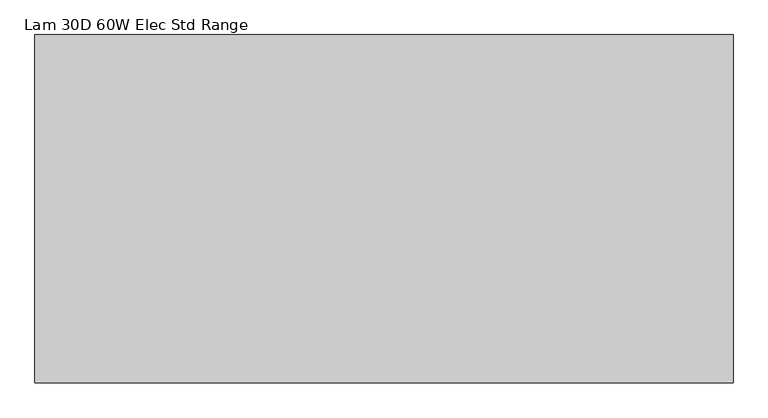
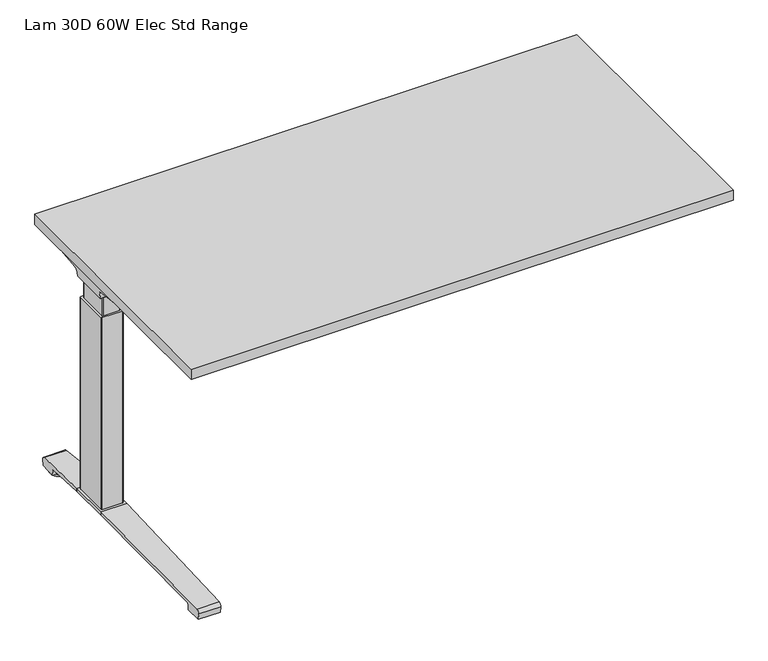
"""IFC4 building model written with IfcOpenShell, lengths in millimetres: furniture geometry, Lam 30D 60W Elec Std Range."""

from ifc_helpers import new_model, si_unit, point, frame, frame_2d, origin, place, context, project, spatial, polyline, circle_curve, ellipse_curve, trimmed, segment, composite_curve, outline, extrude, source, transform, mapped, element, save
from ifc_brep_helpers import plane_surface, cylinder_surface, revolved_surface, advanced_brep


def lam_30d_60w_elec_std_range_a6111f23(model_context):
    return source(origin(), model_context, "Body", "SolidModel", [
        extrude(outline(polyline([(735.076, 366.776), (735.076, -366.776), (-735.076, -366.776), (-735.076, 366.776), (735.076, 366.776)])), frame((0.0, 0.0, 707.009), z_axis=(0.0, 0.0, 1.0), x_axis=(1.0, 0.0, 0.0)), (0.0, 0.0, 1.0), 29.591),
        advanced_brep(
        [(-718.7406297, 194.2506702, 658.5915733), (-553.0122138, 194.2506702, 658.5915733), (-567.3924181, 192.0222169, 655.9442785), (-716.2518591, 192.0222169, 655.9442785), (-718.9625278, 194.259656, 658.8276054), (-721.3619089, 194.9036827, 675.7443054), (-538.5773962, 194.9036827, 675.7443054), (-538.5773962, 194.5556965, 666.6037253), (-541.4075093, 194.4745058, 664.4710821), (-541.5501644, 194.3968397, 662.4310191), (-722.2185362, 200.3707181, 681.7839076), (-538.5773962, 200.3707181, 681.7839076), (-724.7393767, 314.9419225, 699.5569507), (-660.5243442, 314.9419225, 699.5569507), (-538.5773962, 234.1372, 687.0219877), (-724.8128152, 318.7179275, 700.0747243), (-666.2229255, 318.7179275, 700.0747243), (-725.4871296, 320.2281839, 704.8289399), (-723.7021288, 317.6512888, 707.009), (-664.6132011, 317.6512888, 707.009), (-725.4871296, -38.7453839, 704.8289399), (-724.8128152, -37.2351275, 700.0747243), (-666.2229255, -37.2351275, 700.0747243), (-664.6132011, -36.1684888, 707.009), (-723.7021288, -36.1684888, 707.009), (-724.7393767, -33.4591225, 699.5569507), (-660.5243442, -33.4591225, 699.5569507), (-722.2185362, 81.1120819, 681.7839076), (-538.5773962, 81.1120819, 681.7839076), (-538.5773962, 47.3456, 687.0219877), (-721.3619089, 86.5791173, 675.7443054), (-538.5773962, 86.5791173, 675.7443054), (-718.9625278, 87.223144, 658.8276054), (-718.7406297, 87.2321298, 658.5915733), (-553.0122138, 87.2321298, 658.5915733), (-541.5501644, 87.0859603, 662.4310191), (-541.4075093, 87.0082942, 664.4710821), (-538.5773962, 86.9271035, 666.6037253), (-716.2518591, 89.4605831, 655.9442785), (-567.3924181, 89.4605831, 655.9442785), (-538.5773962, 47.3456, 707.009), (-538.5773962, 234.1372, 707.009)],
        [
            (0, 1),
            (1, 2, ellipse_curve(frame((-577.2936465, 271.2884009, 750.1086722), z_axis=(0.0, 0.7650318638532662, -0.6439924279750482), x_axis=(0.0, 0.6439924279750482, 0.7650318638532662)), 123.7641411, 94.6835116)),
            (2, 3),
            (3, 0),
            (0, 4),
            (4, 5),
            (5, 6),
            (6, 7),
            (7, 8),
            (8, 9),
            (9, 1, ellipse_curve(frame((-577.2936465, 197.7347686, 750.1086722), z_axis=(0.0, 0.999276106683639, -0.03804290487316255), x_axis=(0.0, 0.03804290487316397, 0.999276106683639)), 94.752102, 94.6835116)),
            (5, 10, ellipse_curve(frame((-721.3119691, 201.3622409, 675.3922075), z_axis=(-0.990090671484964, 0.0, -0.14042956326377007), x_axis=(-0.1404295632637696, 0.0, 0.990090671484964)), 6.5328852, 6.4681487)),
            (10, 11),
            (11, 6, circle_curve(frame((-538.5773962, 201.3622409, 675.3922075), z_axis=(1.0, 0.0, 0.0), x_axis=(0.0, 1.0, 0.0)), 6.4681487)),
            (10, 12),
            (12, 13),
            (13, 14),
            (14, 11),
            (12, 15),
            (15, 16),
            (16, 13),
            (15, 17, ellipse_curve(frame((-725.2730772, 316.7408111, 703.3197755), z_axis=(0.990090671484964, 0.0, 0.14042956326377007), x_axis=(0.1404295632637696, 0.0, -0.990090671484964)), 3.8379455, 3.7999141)),
            (17, 18, ellipse_curve(frame((-726.722811, 316.7408111, 703.3197755), z_axis=(0.7737284588433301, 0.0, -0.6335173809580328), x_axis=(0.6335173809580328, 0.0, 0.77372845884333)), 4.9111727, 3.7999141)),
            (18, 19),
            (19, 16, ellipse_curve(frame((-663.239148, 316.7408111, 703.3197755), z_axis=(-0.5523637579768186, -0.8336031902972341, 0.0), x_axis=(0.8336031902972341, -0.5523637579768187, 0.0)), 6.8793689, 3.7999141)),
            (20, 21, ellipse_curve(frame((-725.2730772, -35.2580111, 703.3197755), z_axis=(0.990090671484964, 0.0, 0.14042956326377007), x_axis=(0.1404295632637696, 0.0, -0.990090671484964)), 3.8379455, 3.7999141)),
            (21, 22),
            (22, 23, ellipse_curve(frame((-663.239148, -35.2580111, 703.3197755), z_axis=(-0.552363757975039, 0.8336031902984132, 0.0), x_axis=(0.8336031902984132, 0.552363757975039, 0.0)), 6.8793689, 3.7999141)),
            (23, 24),
            (24, 20, ellipse_curve(frame((-726.722811, -35.2580111, 703.3197755), z_axis=(0.7737284588433301, 0.0, -0.6335173809580328), x_axis=(0.6335173809580328, 0.0, 0.77372845884333)), 4.9111727, 3.7999141)),
            (21, 25),
            (25, 26),
            (26, 22),
            (27, 28),
            (28, 29),
            (29, 26),
            (25, 27),
            (27, 30, ellipse_curve(frame((-721.3119691, 80.1205591, 675.3922075), z_axis=(-0.990090671484964, 0.0, -0.14042956326377007), x_axis=(-0.1404295632637696, 0.0, 0.990090671484964)), 6.5328852, 6.4681487)),
            (30, 31),
            (31, 28, circle_curve(frame((-538.5773962, 80.1205591, 675.3922075), z_axis=(1.0, 0.0, 0.0), x_axis=(0.0, 1.0, 0.0)), 6.4681487)),
            (30, 32),
            (32, 33),
            (33, 34),
            (34, 35, ellipse_curve(frame((-577.2936465, 83.7480314, 750.1086722), z_axis=(0.0, -0.9992761066836363, -0.03804290487323539), x_axis=(0.0, 0.03804290487323121, -0.9992761066836364)), 94.752102, 94.6835116)),
            (35, 36),
            (36, 37),
            (37, 31),
            (33, 38),
            (38, 39),
            (39, 34, ellipse_curve(frame((-577.2936465, 10.1943991, 750.1086722), z_axis=(0.0, -0.7650318638534733, -0.643992427974802), x_axis=(0.0, 0.643992427974802, -0.7650318638534732)), 123.7641411, 94.6835116)),
            (4, 32),
            (20, 17),
            (24, 18),
            (23, 40),
            (40, 41),
            (41, 19),
            (37, 7),
            (14, 41),
            (40, 29),
            (36, 8),
            (35, 9),
            (39, 2),
            (38, 3),
        ],
        [
            plane_surface(frame((-741.7773962, 192.0222169, 655.9442785), z_axis=(0.0, 0.7650318638532662, -0.6439924279750482), x_axis=(1.0, 0.0, 0.0))),
            plane_surface(frame((-741.7773962, 194.2506702, 658.5915733), z_axis=(0.0, 0.999276106683639, -0.03804290487316255), x_axis=(1.0, 0.0, 0.0))),
            revolved_surface(polyline([(-722.2293793154884, 207.8303896, 675.3922075), (-538.5773962, 207.8303896, 675.3922075)]), (-741.7773962, 201.3622409, 675.3922075), (-1.0, 0.0, 0.0)),
            plane_surface(frame((-741.7773962, 200.3707181, 681.7839076), z_axis=(0.0, 0.153293135871396, -0.9881807600306302), x_axis=(1.0, 0.0, 0.0))),
            plane_surface(frame((-741.7773962, 314.9419225, 699.5569507), z_axis=(0.0, 0.13585085469026903, -0.9907292996979162), x_axis=(1.0, 0.0, 0.0))),
            cylinder_surface(frame((-741.7773962, 316.7408111, 703.3197755), z_axis=(1.0, 0.0, 0.0), x_axis=(0.0, 1.0, 0.0)), 3.7999141),
            cylinder_surface(frame((-741.7773962, -35.2580111, 703.3197755), z_axis=(1.0, 0.0, 0.0), x_axis=(0.0, 1.0, 0.0)), 3.7999141),
            plane_surface(frame((-741.7773962, -37.2351275, 700.0747243), z_axis=(0.0, -0.13585085468791205, -0.9907292996982394), x_axis=(1.0, 0.0, 0.0))),
            plane_surface(frame((-741.7773962, -33.4591225, 699.5569507), z_axis=(0.0, -0.1532931358714066, -0.9881807600306285), x_axis=(1.0, 0.0, 0.0))),
            revolved_surface(polyline([(-722.2293793154884, 86.5887078, 675.3922075), (-538.5773962, 86.5887078, 675.3922075)]), (-741.7773962, 80.1205591, 675.3922075), (-1.0, 0.0, 0.0)),
            plane_surface(frame((-741.7773962, 86.5791173, 675.7443054), z_axis=(0.0, -0.9992761066836363, -0.03804290487323539), x_axis=(1.0, 0.0, 0.0))),
            plane_surface(frame((-741.7773962, 87.2321298, 658.5915733), z_axis=(0.0, -0.7650318638534733, -0.643992427974802), x_axis=(1.0, 0.0, 0.0))),
            plane_surface(frame((-718.9625278, 331.2414, 658.8276054), z_axis=(-0.990090671484964, 0.0, -0.14042956326377007), x_axis=(0.0, -1.0, 0.0))),
            plane_surface(frame((-725.4871296, 331.2414, 704.8289399), z_axis=(-0.7737284588433301, 0.0, 0.6335173809580328), x_axis=(0.0, -1.0, 0.0))),
            plane_surface(frame((-723.7021288, 331.2414, 707.009), z_axis=(0.0, 0.0, 1.0), x_axis=(0.0, -1.0, 0.0))),
            plane_surface(frame((-538.5773962, 331.2414, 707.009), z_axis=(1.0, 0.0, 0.0), x_axis=(0.0, -1.0, 0.0))),
            plane_surface(frame((-538.5773962, 331.2414, 666.6037253), z_axis=(0.6018150231516033, 0.0, -0.7986355100476283), x_axis=(0.0, -1.0, 0.0))),
            plane_surface(frame((-541.4075093, 331.2414, 664.4710821), z_axis=(0.9975640502600401, 0.0, -0.06975647374103827), x_axis=(0.0, -1.0, 0.0))),
            cylinder_surface(frame((-577.2936465, 331.2414, 750.1086722), z_axis=(0.0, 1.0, 0.0), x_axis=(1.0, 0.0, 0.0)), 94.6835116),
            plane_surface(frame((-567.3924181, 331.2414, 655.9442785), z_axis=(0.0, 0.0, -1.0), x_axis=(0.0, -1.0, 0.0))),
            plane_surface(frame((-716.2518591, 331.2414, 655.9442785), z_axis=(-0.728584606419653, 0.0, -0.6849558170337118), x_axis=(0.0, -1.0, 0.0))),
            plane_surface(frame((-685.1228017, 331.2414, 707.009), z_axis=(0.5523637579768186, 0.8336031902972341, 0.0), x_axis=(0.0, 0.0, -1.0))),
            plane_surface(frame((-538.5773962, 47.3456, 707.009), z_axis=(0.552363757975039, -0.8336031902984132, 0.0), x_axis=(0.0, 0.0, -1.0))),
        ],
        [
            (0, [[1, 2, 3, 4]]),
            (1, [[-1, 5, 6, 7, 8, 9, 10, 11]]),
            (2, [[-7, 12, 13, 14]]),
            (3, [[-13, 15, 16, 17, 18]]),
            (4, [[19, 20, 21, -16]]),
            (5, [[22, 23, 24, 25, -20]]),
            (6, [[26, 27, 28, 29, 30]]),
            (7, [[31, 32, 33, -27]]),
            (8, [[34, 35, 36, -32, 37]]),
            (9, [[-34, 38, 39, 40]]),
            (10, [[-39, 41, 42, 43, 44, 45, 46, 47]]),
            (11, [[-43, 48, 49, 50]]),
            (12, [[51, -41, -38, -37, -31, -26, 52, -22, -19, -15, -12, -6]]),
            (13, [[-52, -30, 53, -23]]),
            (14, [[-53, -29, 54, 55, 56, -24]]),
            (15, [[57, -8, -14, -18, 58, -55, 59, -35, -40, -47]]),
            (16, [[-57, -46, 60, -9]]),
            (17, [[-60, -45, 61, -10]]),
            (18, [[-61, -44, -50, 62, -2, -11]]),
            (19, [[-62, -49, 63, -3]]),
            (20, [[-51, -5, -4, -63, -48, -42]]),
            (21, [[-56, -58, -17, -21, -25]]),
            (22, [[-54, -28, -33, -36, -59]]),
        ],
    ),
        advanced_brep(
        [(553.0122138, 194.2506702, 658.5915733), (718.7406297, 194.2506702, 658.5915733), (716.2518591, 192.0222169, 655.9442785), (567.3924181, 192.0222169, 655.9442785), (541.5501644, 194.3968397, 662.4310191), (541.4075093, 194.4745058, 664.4710821), (538.7619573, 194.5504018, 666.4646485), (538.7619573, 194.9036827, 675.7443054), (721.3619089, 194.9036827, 675.7443054), (718.9625278, 194.259656, 658.8276054), (538.7619573, 200.3707181, 681.7839076), (722.2185362, 200.3707181, 681.7839076), (538.7619573, 234.1303953, 687.0209321), (660.5570453, 314.9419225, 699.5569507), (724.7393767, 314.9419225, 699.5569507), (724.8128152, 318.7179275, 700.0747243), (666.2480509, 318.7179275, 700.0747243), (725.4871296, 320.2281839, 704.8289399), (664.6404665, 317.6512888, 707.009), (723.7021288, 317.6512888, 707.009), (724.8128152, -37.2351275, 700.0747243), (725.4871296, -38.7453839, 704.8289399), (723.7021288, -36.1684888, 707.009), (664.6404665, -36.1684888, 707.009), (666.2480509, -37.2351275, 700.0747243), (724.7393767, -33.4591225, 699.5569507), (660.5570453, -33.4591225, 699.5569507), (538.7619573, 81.1120819, 681.7839076), (722.2185362, 81.1120819, 681.7839076), (538.7619573, 47.3524047, 687.0209321), (538.7619573, 86.5791173, 675.7443054), (721.3619089, 86.5791173, 675.7443054), (538.7619573, 86.9323982, 666.4646485), (541.4075093, 87.0082942, 664.4710821), (541.5501644, 87.0859603, 662.4310191), (553.0122138, 87.2321298, 658.5915733), (718.7406297, 87.2321298, 658.5915733), (718.9625278, 87.223144, 658.8276054), (567.3924181, 89.4605831, 655.9442785), (716.2518591, 89.4605831, 655.9442785), (538.7619573, 234.1303953, 707.009), (538.7619573, 47.3524047, 707.009)],
        [
            (0, 1),
            (1, 2),
            (2, 3),
            (3, 0, ellipse_curve(frame((577.2936465, 271.2884009, 750.1086722), z_axis=(0.0, 0.7650318638532565, -0.6439924279750596), x_axis=(0.0, -0.6439924279750596, -0.7650318638532564)), 123.7641411, 94.6835116)),
            (0, 4, ellipse_curve(frame((577.2936465, 197.7347686, 750.1086722), z_axis=(0.0, 0.9992761066836392, -0.03804290487315862), x_axis=(0.0, -0.03804290487315623, -0.9992761066836393)), 94.752102, 94.6835116)),
            (4, 5),
            (5, 6),
            (6, 7),
            (7, 8),
            (8, 9),
            (9, 1),
            (7, 10, circle_curve(frame((538.7619573, 201.3622409, 675.3922075), z_axis=(-1.0, 0.0, 0.0), x_axis=(0.0, 1.0, 0.0)), 6.4681487)),
            (10, 11),
            (11, 8, ellipse_curve(frame((721.3119691, 201.3622409, 675.3922075), z_axis=(0.9900906714849659, 0.0, -0.1404295632637567), x_axis=(-0.1404295632637562, 0.0, -0.9900906714849659)), 6.5328852, 6.4681487)),
            (10, 12),
            (12, 13),
            (13, 14),
            (14, 11),
            (15, 14),
            (13, 16),
            (16, 15),
            (17, 15, ellipse_curve(frame((725.2730772, 316.7408111, 703.3197755), z_axis=(-0.9900906714849659, 0.0, 0.1404295632637567), x_axis=(0.1404295632637562, 0.0, 0.9900906714849659)), 3.8379455, 3.7999141)),
            (16, 18, ellipse_curve(frame((663.26824, 316.7408111, 703.3197755), z_axis=(0.5528743936295484, -0.8332646067539167, 0.0), x_axis=(0.8332646067539166, 0.5528743936295484, 0.0)), 6.8730151, 3.7999141)),
            (18, 19),
            (19, 17, ellipse_curve(frame((726.722811, 316.7408111, 703.3197755), z_axis=(-0.7737284588399557, 0.0, -0.633517380962154), x_axis=(0.6335173809621538, 0.0, -0.7737284588399556)), 4.9111727, 3.7999141)),
            (20, 21, ellipse_curve(frame((725.2730772, -35.2580111, 703.3197755), z_axis=(-0.9900906714849659, 0.0, 0.1404295632637567), x_axis=(0.1404295632637562, 0.0, 0.9900906714849659)), 3.8379455, 3.7999141)),
            (21, 22, ellipse_curve(frame((726.722811, -35.2580111, 703.3197755), z_axis=(-0.7737284588399557, 0.0, -0.633517380962154), x_axis=(0.6335173809621538, 0.0, -0.7737284588399556)), 4.9111727, 3.7999141)),
            (22, 23),
            (23, 24, ellipse_curve(frame((663.26824, -35.2580111, 703.3197755), z_axis=(0.5528743936295326, 0.833264606753927, 0.0), x_axis=(0.833264606753927, -0.5528743936295326, 0.0)), 6.8730151, 3.7999141)),
            (24, 20),
            (25, 20),
            (24, 26),
            (26, 25),
            (27, 28),
            (28, 25),
            (26, 29),
            (29, 27),
            (27, 30, circle_curve(frame((538.7619573, 80.1205591, 675.3922075), z_axis=(-1.0, 0.0, 0.0), x_axis=(0.0, 1.0, 0.0)), 6.4681487)),
            (30, 31),
            (31, 28, ellipse_curve(frame((721.3119691, 80.1205591, 675.3922075), z_axis=(0.9900906714849659, 0.0, -0.1404295632637567), x_axis=(-0.1404295632637562, 0.0, -0.9900906714849659)), 6.5328852, 6.4681487)),
            (30, 32),
            (32, 33),
            (33, 34),
            (34, 35, ellipse_curve(frame((577.2936465, 83.7480314, 750.1086722), z_axis=(0.0, -0.9992761066836363, -0.03804290487323539), x_axis=(0.0, -0.03804290487323121, 0.9992761066836364)), 94.752102, 94.6835116)),
            (35, 36),
            (36, 37),
            (37, 31),
            (35, 38, ellipse_curve(frame((577.2936465, 10.1943991, 750.1086722), z_axis=(0.0, -0.7650318638534733, -0.643992427974802), x_axis=(0.0, -0.643992427974802, 0.7650318638534732)), 123.7641411, 94.6835116)),
            (38, 39),
            (39, 36),
            (37, 9),
            (17, 21),
            (19, 22),
            (18, 40),
            (40, 41),
            (41, 23),
            (6, 32),
            (29, 41),
            (40, 12),
            (5, 33),
            (4, 34),
            (3, 38),
            (2, 39),
        ],
        [
            plane_surface(frame((538.7619573, 192.0222169, 655.9442785), z_axis=(0.0, 0.7650318638532565, -0.6439924279750596), x_axis=(1.0, 0.0, 0.0))),
            plane_surface(frame((538.7619573, 194.2506702, 658.5915733), z_axis=(0.0, 0.9992761066836392, -0.03804290487315862), x_axis=(1.0, 0.0, 0.0))),
            revolved_surface(polyline([(538.7619573, 207.8303896, 675.3922075), (722.2293793154884, 207.8303896, 675.3922075)]), (538.7619573, 201.3622409, 675.3922075), (-1.0, 0.0, 0.0)),
            plane_surface(frame((538.7619573, 200.3707181, 681.7839076), z_axis=(0.0, 0.15329313587140309, -0.988180760030629), x_axis=(1.0, 0.0, 0.0))),
            plane_surface(frame((538.7619573, 314.9419225, 699.5569507), z_axis=(0.0, 0.1358508546900816, -0.9907292996979419), x_axis=(1.0, 0.0, 0.0))),
            cylinder_surface(frame((538.7619573, 316.7408111, 703.3197755), z_axis=(1.0, 0.0, 0.0), x_axis=(0.0, 1.0, 0.0)), 3.7999141),
            cylinder_surface(frame((538.7619573, -35.2580111, 703.3197755), z_axis=(1.0, 0.0, 0.0), x_axis=(0.0, 1.0, 0.0)), 3.7999141),
            plane_surface(frame((538.7619573, -37.2351275, 700.0747243), z_axis=(0.0, -0.1358508546877776, -0.9907292996982578), x_axis=(1.0, 0.0, 0.0))),
            plane_surface(frame((538.7619573, -33.4591225, 699.5569507), z_axis=(0.0, -0.15329313587141113, -0.9881807600306277), x_axis=(1.0, 0.0, 0.0))),
            revolved_surface(polyline([(538.7619573, 86.5887078, 675.3922075), (722.2293793154884, 86.5887078, 675.3922075)]), (538.7619573, 80.1205591, 675.3922075), (-1.0, 0.0, 0.0)),
            plane_surface(frame((538.7619573, 86.5791173, 675.7443054), z_axis=(0.0, -0.9992761066836363, -0.03804290487323539), x_axis=(1.0, 0.0, 0.0))),
            plane_surface(frame((538.7619573, 87.2321298, 658.5915733), z_axis=(0.0, -0.7650318638534733, -0.643992427974802), x_axis=(1.0, 0.0, 0.0))),
            plane_surface(frame((718.9625278, -49.7586, 658.8276054), z_axis=(0.9900906714849659, 0.0, -0.1404295632637567), x_axis=(0.0, 1.0, 0.0))),
            plane_surface(frame((725.4871296, -49.7586, 704.8289399), z_axis=(0.7737284588399557, 0.0, 0.633517380962154), x_axis=(0.0, 1.0, 0.0))),
            plane_surface(frame((723.7021288, -49.7586, 707.009), z_axis=(0.0, 0.0, 1.0), x_axis=(0.0, 1.0, 0.0))),
            plane_surface(frame((538.7619573, -49.7586, 707.009), z_axis=(-1.0, 0.0, 0.0), x_axis=(0.0, 1.0, 0.0))),
            plane_surface(frame((538.7619573, -49.7586, 666.4646485), z_axis=(-0.6018150231540825, 0.0, -0.7986355100457599), x_axis=(0.0, 1.0, 0.0))),
            plane_surface(frame((541.4075093, -49.7586, 664.4710821), z_axis=(-0.9975640502598242, 0.0, -0.06975647374412697), x_axis=(0.0, 1.0, 0.0))),
            cylinder_surface(frame((577.2936465, -49.7586, 750.1086722), z_axis=(0.0, -1.0, 0.0), x_axis=(-1.0, 0.0, 0.0)), 94.6835116),
            plane_surface(frame((567.3924181, -49.7586, 655.9442785), z_axis=(0.0, 0.0, -1.0), x_axis=(0.0, 1.0, 0.0))),
            plane_surface(frame((716.2518591, -49.7586, 655.9442785), z_axis=(0.7285846064222525, 0.0, -0.6849558170309465), x_axis=(0.0, 1.0, 0.0))),
            plane_surface(frame((538.7619573, 234.1303953, 707.009), z_axis=(-0.5528743936295484, 0.8332646067539167, 0.0), x_axis=(0.0, 0.0, -1.0))),
            plane_surface(frame((685.1228017, -49.7586, 707.009), z_axis=(-0.5528743936295326, -0.833264606753927, 0.0), x_axis=(0.0, 0.0, -1.0))),
        ],
        [
            (0, [[1, 2, 3, 4]]),
            (1, [[-1, 5, 6, 7, 8, 9, 10, 11]]),
            (2, [[-9, 12, 13, 14]]),
            (3, [[-13, 15, 16, 17, 18]]),
            (4, [[19, -17, 20, 21]]),
            (5, [[22, -21, 23, 24, 25]]),
            (6, [[26, 27, 28, 29, 30]]),
            (7, [[31, -30, 32, 33]]),
            (8, [[34, 35, -33, 36, 37]]),
            (9, [[-34, 38, 39, 40]]),
            (10, [[-39, 41, 42, 43, 44, 45, 46, 47]]),
            (11, [[-45, 48, 49, 50]]),
            (12, [[51, -10, -14, -18, -19, -22, 52, -26, -31, -35, -40, -47]]),
            (13, [[-52, -25, 53, -27]]),
            (14, [[-53, -24, 54, 55, 56, -28]]),
            (15, [[57, -41, -38, -37, 58, -55, 59, -15, -12, -8]]),
            (16, [[-57, -7, 60, -42]]),
            (17, [[-60, -6, 61, -43]]),
            (18, [[-61, -5, -4, 62, -48, -44]]),
            (19, [[-62, -3, 63, -49]]),
            (20, [[-51, -46, -50, -63, -2, -11]]),
            (21, [[-54, -23, -20, -16, -59]]),
            (22, [[-56, -58, -36, -32, -29]]),
        ],
    ),
        advanced_brep(
        [(-538.5773962, 219.4245697, 701.7794894), (-538.5773962, 221.1889242, 704.0075511), (-538.5773962, 232.1695225, 704.0075511), (-538.5773962, 232.8996919, 701.4093085), (-538.5773962, 211.4733108, 671.8462148), (-538.5773962, 194.0724914, 663.2452863), (-538.5773962, 87.2846156, 663.2452863), (-538.5773962, 69.6568217, 672.2997482), (-538.5773962, 48.3221138, 702.0706054), (-538.5773962, 49.9606766, 704.1266572), (-538.5773962, 60.1758098, 704.1266572), (-538.5773962, 62.0467848, 701.7794894), (-538.5773962, 61.3055637, 701.2423822), (-538.5773962, 59.7353363, 703.2122572), (-538.5773962, 50.0567238, 703.2122572), (-538.5773962, 49.2508351, 702.3444366), (-538.5773962, 70.4000744, 672.8323858), (-538.5773962, 87.2846156, 664.1598536), (-538.5773962, 194.0724914, 664.1596863), (-538.5773962, 210.73984, 672.3923713), (-538.5773962, 232.0935627, 701.8552144), (-538.5773962, 231.8362942, 703.0931511), (-538.5773962, 221.631209, 703.0931511), (-538.5773962, 220.1656719, 701.2424419), (538.7619573, 219.4245697, 701.7794894), (538.7619573, 220.1656719, 701.2424419), (538.7619573, 221.631209, 703.0931511), (538.7619573, 231.8362942, 703.0931511), (538.7619573, 232.0935627, 701.8552144), (538.7619573, 210.73984, 672.3923713), (538.7619573, 194.0724914, 664.1596863), (538.7619573, 87.2846155, 664.1596863), (538.7619573, 70.4000744, 672.8323858), (538.7619573, 49.2508351, 702.3444366), (538.7619573, 50.0567238, 703.2122572), (538.7619573, 59.7353363, 703.2122572), (538.7619573, 61.3055637, 701.2423822), (538.7619573, 62.0467848, 701.7794894), (538.7619573, 60.1758098, 704.1266572), (538.7619573, 49.9606766, 704.1266572), (538.7619573, 48.3221138, 702.0706054), (538.7619573, 69.6568217, 672.2997482), (538.7619573, 87.2846156, 663.2454536), (538.7619573, 194.0724914, 663.2452863), (538.7619573, 211.4733108, 671.8462148), (538.7619573, 232.8996919, 701.4093085), (538.7619573, 232.1695225, 704.0075511), (538.7619573, 221.1889242, 704.0075511)],
        [
            (0, 1),
            (1, 2),
            (2, 3, circle_curve(frame((-538.5773962, 230.9519576, 702.2636667), z_axis=(-1.0, 0.0, 0.0), x_axis=(0.0, 1.0, 0.0)), 2.1268749)),
            (3, 4),
            (4, 5, circle_curve(frame((-538.5773962, 194.0724914, 685.1478336), z_axis=(-1.0, 0.0, 0.0), x_axis=(0.0, 1.0, 0.0)), 21.9025472)),
            (5, 6),
            (6, 7, circle_curve(frame((-538.5773962, 87.2846156, 684.932365), z_axis=(-1.0, 0.0, 0.0), x_axis=(0.0, 1.0, 0.0)), 21.6869114)),
            (7, 8),
            (8, 9, circle_curve(frame((-538.5773962, 50.3224635, 702.1573833), z_axis=(-1.0, 0.0, 0.0), x_axis=(0.0, 1.0, 0.0)), 2.0022311)),
            (9, 10),
            (10, 11),
            (11, 12),
            (12, 13),
            (13, 14),
            (14, 15, circle_curve(frame((-538.5773962, 50.3224635, 702.1573833), z_axis=(1.0, 0.0, 0.0), x_axis=(0.0, 1.0, 0.0)), 1.0878311)),
            (15, 16),
            (16, 17, circle_curve(frame((-538.5773962, 87.2846156, 684.932365), z_axis=(1.0, 0.0, 0.0), x_axis=(0.0, 1.0, 0.0)), 20.7725114)),
            (17, 18),
            (18, 19, circle_curve(frame((-538.5773962, 194.0724914, 685.1478336), z_axis=(1.0, 0.0, 0.0), x_axis=(0.0, 1.0, 0.0)), 20.9881473)),
            (19, 20),
            (20, 21, circle_curve(frame((-538.5773962, 230.9519576, 702.2636667), z_axis=(1.0, 0.0, 0.0), x_axis=(0.0, 1.0, 0.0)), 1.2124749)),
            (21, 22),
            (22, 23),
            (23, 0),
            (24, 25),
            (25, 26),
            (26, 27),
            (27, 28, circle_curve(frame((538.7619573, 230.9519576, 702.2636667), z_axis=(-1.0, 0.0, 0.0), x_axis=(0.0, 1.0, 0.0)), 1.2124749)),
            (28, 29),
            (29, 30, circle_curve(frame((538.7619573, 194.0724914, 685.1478336), z_axis=(-1.0, 0.0, 0.0), x_axis=(0.0, 1.0, 0.0)), 20.9881473)),
            (30, 31),
            (31, 32, circle_curve(frame((538.7619573, 87.2846156, 684.932365), z_axis=(-1.0, 0.0, 0.0), x_axis=(0.0, 1.0, 0.0)), 20.7725114)),
            (32, 33),
            (33, 34, circle_curve(frame((538.7619573, 50.3224635, 702.1573833), z_axis=(-1.0, 0.0, 0.0), x_axis=(0.0, 1.0, 0.0)), 1.0878311)),
            (34, 35),
            (35, 36),
            (36, 37),
            (37, 38),
            (38, 39),
            (39, 40, circle_curve(frame((538.7619573, 50.3224635, 702.1573833), z_axis=(1.0, 0.0, 0.0), x_axis=(0.0, 1.0, 0.0)), 2.0022311)),
            (40, 41),
            (41, 42, circle_curve(frame((538.7619573, 87.2846156, 684.932365), z_axis=(1.0, 0.0, 0.0), x_axis=(0.0, 1.0, 0.0)), 21.6869114)),
            (42, 43),
            (43, 44, circle_curve(frame((538.7619573, 194.0724914, 685.1478336), z_axis=(1.0, 0.0, 0.0), x_axis=(0.0, 1.0, 0.0)), 21.9025472)),
            (44, 45),
            (45, 46, circle_curve(frame((538.7619573, 230.9519576, 702.2636667), z_axis=(1.0, 0.0, 0.0), x_axis=(0.0, 1.0, 0.0)), 2.1268749)),
            (46, 47),
            (47, 24),
            (0, 24),
            (47, 1),
            (46, 2),
            (45, 3),
            (44, 4),
            (43, 5),
            (42, 6),
            (41, 7),
            (40, 8),
            (39, 9),
            (38, 10),
            (37, 11),
            (36, 12),
            (35, 13),
            (34, 14),
            (33, 15),
            (32, 16),
            (31, 17),
            (30, 18),
            (29, 19),
            (28, 20),
            (27, 21),
            (26, 22),
            (25, 23),
        ],
        [
            plane_surface(frame((-538.5773962, 140.7414, 707.009), z_axis=(-1.0, 0.0, 0.0), x_axis=(0.0, 0.0, 1.0))),
            plane_surface(frame((538.7619573, 140.7414, 707.009), z_axis=(1.0, 0.0, 0.0), x_axis=(0.0, 0.0, 1.0))),
            plane_surface(frame((-538.5773962, 219.4245697, 701.7794894), z_axis=(0.0, -0.7839649337165058, 0.6208051084703434), x_axis=(1.0, 0.0, 0.0))),
            plane_surface(frame((-538.5773962, 221.1889242, 704.0075511), z_axis=(0.0, 0.0, 1.0), x_axis=(1.0, 0.0, 0.0))),
            cylinder_surface(frame((-538.5773962, 230.9519576, 702.2636667), z_axis=(-1.0, 0.0, 0.0), x_axis=(0.0, 1.0, 0.0)), 2.1268749),
            plane_surface(frame((-538.5773962, 232.8996919, 701.4093085), z_axis=(0.0, 0.8096997445281038, -0.586844377762217), x_axis=(1.0, 0.0, 0.0))),
            cylinder_surface(frame((-538.5773962, 194.0724914, 685.1478336), z_axis=(-1.0, 0.0, 0.0), x_axis=(0.0, 1.0, 0.0)), 21.9025472),
            plane_surface(frame((-538.5773962, 194.0724914, 663.2452863), z_axis=(0.0, 0.0, -1.0), x_axis=(1.0, 0.0, 0.0))),
            cylinder_surface(frame((-538.5773962, 87.2846156, 684.932365), z_axis=(-1.0, 0.0, 0.0), x_axis=(0.0, 1.0, 0.0)), 21.6869114),
            plane_surface(frame((-538.5773962, 69.6568217, 672.2997482), z_axis=(0.0, -0.8128309997561537, -0.5824995844079305), x_axis=(1.0, 0.0, 0.0))),
            cylinder_surface(frame((-538.5773962, 50.3224635, 702.1573833), z_axis=(-1.0, 0.0, 0.0), x_axis=(0.0, 1.0, 0.0)), 2.0022311),
            plane_surface(frame((-538.5773962, 49.9606766, 704.1266572), z_axis=(0.0, 0.0, 1.0), x_axis=(1.0, 0.0, 0.0))),
            plane_surface(frame((-538.5773962, 60.1758098, 704.1266572), z_axis=(0.0, 0.7819660587237972, 0.6233210112004657), x_axis=(1.0, 0.0, 0.0))),
            plane_surface(frame((-538.5773962, 62.0467848, 701.7794894), z_axis=(0.0, 0.5867684336468096, -0.8097547809526473), x_axis=(1.0, 0.0, 0.0))),
            plane_surface(frame((-538.5773962, 61.3055637, 701.2423822), z_axis=(0.0, -0.7819660587239206, -0.6233210112003109), x_axis=(1.0, 0.0, 0.0))),
            plane_surface(frame((-538.5773962, 59.7353363, 703.2122572), z_axis=(0.0, 0.0, -1.0), x_axis=(1.0, 0.0, 0.0))),
            revolved_surface(polyline([(538.7619573000001, 51.4102946, 702.1573833), (-538.5773962, 51.4102946, 702.1573833)]), (-538.5773962, 50.3224635, 702.1573833), (1.0, 0.0, 0.0)),
            plane_surface(frame((-538.5773962, 49.2508351, 702.3444366), z_axis=(0.0, 0.8128309996716102, 0.582499584525904), x_axis=(1.0, 0.0, 0.0))),
            revolved_surface(polyline([(538.7619573000001, 108.057127, 684.932365), (-538.5773962, 108.057127, 684.932365)]), (-538.5773962, 87.2846156, 684.932365), (1.0, 0.0, 0.0)),
            plane_surface(frame((-538.5773962, 87.2846155, 664.1596863), z_axis=(0.0, 0.0, 1.0), x_axis=(1.0, 0.0, 0.0))),
            revolved_surface(polyline([(538.7619573000001, 215.0606387, 685.1478336), (-538.5773962, 215.0606387, 685.1478336)]), (-538.5773962, 194.0724914, 685.1478336), (1.0, 0.0, 0.0)),
            plane_surface(frame((-538.5773962, 210.73984, 672.3923713), z_axis=(0.0, -0.8096997449536107, 0.5868443771751228), x_axis=(1.0, 0.0, 0.0))),
            revolved_surface(polyline([(538.7619573000001, 232.16443249999998, 702.2636667), (-538.5773962, 232.16443249999998, 702.2636667)]), (-538.5773962, 230.9519576, 702.2636667), (1.0, 0.0, 0.0)),
            plane_surface(frame((-538.5773962, 231.8362942, 703.0931511), z_axis=(0.0, 0.0, -1.0), x_axis=(1.0, 0.0, 0.0))),
            plane_surface(frame((-538.5773962, 221.631209, 703.0931511), z_axis=(0.0, 0.7839649337164979, -0.6208051084703533), x_axis=(1.0, 0.0, 0.0))),
            plane_surface(frame((-538.5773962, 220.1656719, 701.2424419), z_axis=(0.0, -0.5867873637752554, -0.8097410633737715), x_axis=(1.0, 0.0, 0.0))),
        ],
        [
            (0, [[1, 2, 3, 4, 5, 6, 7, 8, 9, 10, 11, 12, 13, 14, 15, 16, 17, 18, 19, 20, 21, 22, 23, 24]]),
            (1, [[25, 26, 27, 28, 29, 30, 31, 32, 33, 34, 35, 36, 37, 38, 39, 40, 41, 42, 43, 44, 45, 46, 47, 48]]),
            (2, [[-1, 49, -48, 50]]),
            (3, [[-2, -50, -47, 51]]),
            (4, [[-3, -51, -46, 52]]),
            (5, [[-4, -52, -45, 53]]),
            (6, [[-5, -53, -44, 54]]),
            (7, [[-6, -54, -43, 55]]),
            (8, [[-7, -55, -42, 56]]),
            (9, [[-8, -56, -41, 57]]),
            (10, [[-9, -57, -40, 58]]),
            (11, [[-10, -58, -39, 59]]),
            (12, [[-11, -59, -38, 60]]),
            (13, [[-12, -60, -37, 61]]),
            (14, [[-13, -61, -36, 62]]),
            (15, [[-14, -62, -35, 63]]),
            (16, [[-15, -63, -34, 64]]),
            (17, [[-16, -64, -33, 65]]),
            (18, [[-17, -65, -32, 66]]),
            (19, [[-18, -66, -31, 67]]),
            (20, [[-19, -67, -30, 68]]),
            (21, [[-20, -68, -29, 69]]),
            (22, [[-21, -69, -28, 70]]),
            (23, [[-22, -70, -27, 71]]),
            (24, [[-23, -71, -26, 72]]),
            (25, [[-24, -72, -25, -49]]),
        ],
    ),
        extrude(outline(composite_curve([segment(polyline([(55.5056383, 705.3739712), (47.2253898, 705.3739712), (46.7140592, 704.3565876), (69.739753, 672.4872047)]), True, "CONTINUOUS"), segment(trimmed(circle_curve(frame_2d((87.8837814, 688.0741393)), 23.9198306), [point((69.739753, 672.4872047))], [point((87.8837814, 664.1543087))], True, "CARTESIAN"), True, "CONTINUOUS"), segment(polyline([(87.8837814, 664.1543087), (301.5718611, 664.1543087)]), True, "CONTINUOUS"), segment(trimmed(circle_curve(frame_2d((302.3659677, 686.2522042)), 22.1121593), [point((301.5718611, 664.1543087))], [point((320.2711793, 673.2771903))], True, "CARTESIAN"), True, "CONTINUOUS"), segment(polyline([(320.2711793, 673.2771903), (342.2234672, 703.5708273), (342.9639039, 703.0342821), (321.0116102, 672.740637)]), True, "CONTINUOUS"), segment(trimmed(circle_curve(frame_2d((302.3659677, 686.2522042)), 23.0265593), [point((321.0116102, 672.740637))], [point((301.555603, 663.2399087))], False, "CARTESIAN"), True, "CONTINUOUS"), segment(polyline([(301.555603, 663.2399087), (87.8837814, 663.2399087)]), True, "CONTINUOUS"), segment(trimmed(circle_curve(frame_2d((87.8837814, 688.0741393)), 24.8342306), [point((87.8837814, 663.2399087))], [point((69.0208769, 671.9208163))], False, "CARTESIAN"), True, "CONTINUOUS"), segment(polyline([(69.0208769, 671.9208163), (45.6477131, 704.2711252), (46.6615684, 706.2883712), (55.7445219, 706.2883712), (55.5056383, 705.3739712)]), True, "CONTINUOUS")], self_intersect=False)), frame((-538.5773962, 0.0, 0.0), z_axis=(1.0, 0.0, 0.0), x_axis=(0.0, 1.0, 0.0)), (0.0, 0.0, 1.0), 1077.3393535),
        advanced_brep(
        [(662.3283088, 185.4896497, 655.9442785), (659.5624028, 183.1364111, 655.9442785), (659.5624028, 98.3627858, 655.9442785), (662.6159671, 96.013387, 655.9442785), (705.9299922, 95.9931503, 655.9442785), (708.9895972, 98.3628936, 655.9442785), (708.9895972, 183.1364956, 655.9442785), (706.2236912, 185.4896497, 655.9442785), (662.3283088, 185.4896497, 599.0990785), (706.2236912, 185.4896497, 599.0990785), (708.9895972, 183.1364956, 599.0990785), (708.9895972, 98.3628936, 599.0990785), (705.9360098, 96.0133923, 599.0990785), (662.6220078, 95.9931503, 599.0990785), (659.5624028, 98.3627858, 599.0990785), (659.5624028, 183.1364111, 599.0990785)],
        [
            (0, 1, circle_curve(frame((662.6300788, 182.3328719, 655.9442785), z_axis=(0.0, 0.0, 1.0), x_axis=(1.0, 0.0, 0.0)), 3.1711688)),
            (1, 2),
            (2, 3, circle_curve(frame((662.6159671, 99.172478, 655.9442785), z_axis=(0.0, 0.0, 1.0), x_axis=(1.0, 0.0, 0.0)), 3.1590911)),
            (3, 4),
            (4, 5, circle_curve(frame((705.9360098, 99.172478, 655.9442785), z_axis=(0.0, 0.0, 1.0), x_axis=(1.0, 0.0, 0.0)), 3.1590858)),
            (5, 6),
            (6, 7, circle_curve(frame((705.9219439, 182.3328698, 655.9442785), z_axis=(0.0, 0.0, 1.0), x_axis=(1.0, 0.0, 0.0)), 3.1711687)),
            (7, 0),
            (8, 9),
            (9, 10, circle_curve(frame((705.9219439, 182.3328698, 599.0990785), z_axis=(0.0, 0.0, -1.0), x_axis=(1.0, 0.0, 0.0)), 3.1711687)),
            (10, 11),
            (11, 12, circle_curve(frame((705.9360098, 99.172478, 599.0990785), z_axis=(0.0, 0.0, -1.0), x_axis=(1.0, 0.0, 0.0)), 3.1590858)),
            (12, 13),
            (13, 14, circle_curve(frame((662.6159671, 99.172478, 599.0990785), z_axis=(0.0, 0.0, -1.0), x_axis=(1.0, 0.0, 0.0)), 3.1590911)),
            (14, 15),
            (15, 8, circle_curve(frame((662.6300788, 182.3328719, 599.0990785), z_axis=(0.0, 0.0, -1.0), x_axis=(1.0, 0.0, 0.0)), 3.1711688)),
            (7, 9),
            (8, 0),
            (6, 10),
            (5, 11),
            (4, 12),
            (3, 13),
            (2, 14),
            (1, 15),
        ],
        [
            plane_surface(frame((665.8012476, 182.3328719, 655.9442785), z_axis=(0.0, 0.0, 1.0), x_axis=(0.0, 1.0, 0.0))),
            plane_surface(frame((665.8012476, 182.3328719, 599.0990785), z_axis=(0.0, 0.0, -1.0), x_axis=(0.0, -1.0, 0.0))),
            plane_surface(frame((706.2236912, 185.4896497, 655.9442785), z_axis=(0.0, 1.0, 0.0), x_axis=(0.0, 0.0, -1.0))),
            cylinder_surface(frame((705.9219439, 182.3328698, 599.0990785), z_axis=(0.0, 0.0, 1.0), x_axis=(1.0, 0.0, 0.0)), 3.1711687),
            plane_surface(frame((708.9895972, 98.3628936, 655.9442785), z_axis=(1.0, 0.0, 0.0), x_axis=(0.0, 0.0, -1.0))),
            cylinder_surface(frame((705.9360098, 99.172478, 599.0990785), z_axis=(0.0, 0.0, 1.0), x_axis=(1.0, 0.0, 0.0)), 3.1590858),
            plane_surface(frame((662.6220078, 95.9931503, 655.9442785), z_axis=(0.0, -1.0, 0.0), x_axis=(0.0, 0.0, -1.0))),
            cylinder_surface(frame((662.6159671, 99.172478, 599.0990785), z_axis=(0.0, 0.0, 1.0), x_axis=(1.0, 0.0, 0.0)), 3.1590911),
            plane_surface(frame((659.5624028, 183.1364111, 655.9442785), z_axis=(-1.0, 0.0, 0.0), x_axis=(0.0, 0.0, -1.0))),
            cylinder_surface(frame((662.6300788, 182.3328719, 599.0990785), z_axis=(0.0, 0.0, 1.0), x_axis=(1.0, 0.0, 0.0)), 3.1711688),
        ],
        [
            (0, [[1, 2, 3, 4, 5, 6, 7, 8]]),
            (1, [[9, 10, 11, 12, 13, 14, 15, 16]]),
            (2, [[-8, 17, -9, 18]]),
            (3, [[-7, 19, -10, -17]]),
            (4, [[-6, 20, -11, -19]]),
            (5, [[-5, 21, -12, -20]]),
            (6, [[-4, 22, -13, -21]]),
            (7, [[-3, 23, -14, -22]]),
            (8, [[-2, 24, -15, -23]]),
            (9, [[-1, -18, -16, -24]]),
        ],
    ),
        advanced_brep(
        [(-662.3283088, 185.4896497, 655.9442785), (-706.2236912, 185.4896497, 655.9442785), (-708.9806448, 183.1699241, 655.9442785), (-708.9806448, 98.3298508, 655.9442785), (-705.9360098, 96.0133923, 655.9442785), (-662.6220078, 95.9931503, 655.9442785), (-659.5713552, 98.3297475, 655.9442785), (-659.5713552, 183.1698433, 655.9442785), (-662.3283088, 185.4896497, 599.0990785), (-659.5713552, 183.1698433, 599.0990785), (-659.5713552, 98.3297475, 599.0990785), (-662.6159671, 96.013387, 599.0990785), (-705.9299922, 95.9931503, 599.0990785), (-708.9806448, 98.3298508, 599.0990785), (-708.9806448, 183.1699241, 599.0990785), (-706.2236912, 185.4896497, 599.0990785)],
        [
            (0, 1),
            (1, 2, circle_curve(frame((-705.9219439, 182.3328698, 655.9442785), z_axis=(0.0, 0.0, 1.0), x_axis=(-1.0, 0.0, 0.0)), 3.1711687)),
            (2, 3),
            (3, 4, circle_curve(frame((-705.9360098, 99.172478, 655.9442785), z_axis=(0.0, 0.0, 1.0), x_axis=(-1.0, 0.0, 0.0)), 3.1590858)),
            (4, 5),
            (5, 6, circle_curve(frame((-662.6159671, 99.172478, 655.9442785), z_axis=(0.0, 0.0, 1.0), x_axis=(-1.0, 0.0, 0.0)), 3.1590911)),
            (6, 7),
            (7, 0, circle_curve(frame((-662.6300788, 182.3328719, 655.9442785), z_axis=(0.0, 0.0, 1.0), x_axis=(-1.0, 0.0, 0.0)), 3.1711688)),
            (8, 9, circle_curve(frame((-662.6300788, 182.3328719, 599.0990785), z_axis=(0.0, 0.0, -1.0), x_axis=(-1.0, 0.0, 0.0)), 3.1711688)),
            (9, 10),
            (10, 11, circle_curve(frame((-662.6159671, 99.172478, 599.0990785), z_axis=(0.0, 0.0, -1.0), x_axis=(-1.0, 0.0, 0.0)), 3.1590911)),
            (11, 12),
            (12, 13, circle_curve(frame((-705.9360098, 99.172478, 599.0990785), z_axis=(0.0, 0.0, -1.0), x_axis=(-1.0, 0.0, 0.0)), 3.1590858)),
            (13, 14),
            (14, 15, circle_curve(frame((-705.9219439, 182.3328698, 599.0990785), z_axis=(0.0, 0.0, -1.0), x_axis=(-1.0, 0.0, 0.0)), 3.1711687)),
            (15, 8),
            (0, 8),
            (15, 1),
            (14, 2),
            (13, 3),
            (12, 4),
            (11, 5),
            (10, 6),
            (9, 7),
        ],
        [
            plane_surface(frame((-706.2236912, 185.4896497, 655.9442785), z_axis=(0.0, 0.0, 1.0), x_axis=(-1.0, 0.0, 0.0))),
            plane_surface(frame((-706.2236912, 185.4896497, 599.0990785), z_axis=(0.0, 0.0, -1.0), x_axis=(1.0, 0.0, 0.0))),
            plane_surface(frame((-662.3283088, 185.4896497, 655.9442785), z_axis=(0.0, 1.0, 0.0), x_axis=(0.0, 0.0, -1.0))),
            cylinder_surface(frame((-705.9219439, 182.3328698, 599.0990785), z_axis=(0.0, 0.0, 1.0), x_axis=(-1.0, 0.0, 0.0)), 3.1711687),
            plane_surface(frame((-708.9806448, 183.1699241, 655.9442785), z_axis=(-1.0, 0.0, 0.0), x_axis=(0.0, 0.0, -1.0))),
            cylinder_surface(frame((-705.9360098, 99.172478, 599.0990785), z_axis=(0.0, 0.0, 1.0), x_axis=(-1.0, 0.0, 0.0)), 3.1590858),
            plane_surface(frame((-705.9299922, 95.9931503, 655.9442785), z_axis=(0.0, -1.0, 0.0), x_axis=(0.0, 0.0, -1.0))),
            cylinder_surface(frame((-662.6159671, 99.172478, 599.0990785), z_axis=(0.0, 0.0, 1.0), x_axis=(-1.0, 0.0, 0.0)), 3.1590911),
            plane_surface(frame((-659.5713552, 98.3297475, 655.9442785), z_axis=(1.0, 0.0, 0.0), x_axis=(0.0, 0.0, -1.0))),
            cylinder_surface(frame((-662.6300788, 182.3328719, 599.0990785), z_axis=(0.0, 0.0, 1.0), x_axis=(-1.0, 0.0, 0.0)), 3.1711688),
        ],
        [
            (0, [[1, 2, 3, 4, 5, 6, 7, 8]]),
            (1, [[9, 10, 11, 12, 13, 14, 15, 16]]),
            (2, [[-1, 17, -16, 18]]),
            (3, [[-2, -18, -15, 19]]),
            (4, [[-3, -19, -14, 20]]),
            (5, [[-4, -20, -13, 21]]),
            (6, [[-5, -21, -12, 22]]),
            (7, [[-6, -22, -11, 23]]),
            (8, [[-7, -23, -10, 24]]),
            (9, [[-8, -24, -9, -17]]),
        ],
    ),
        advanced_brep(
        [(-654.5785054, 366.395, 26.8186), (-654.338546, 358.907527, 35.7787117), (-649.1452167, 196.8596127, 48.10013), (-649.1452167, 196.8596127, 38.9541198), (-652.8147479, 311.3603185, 29.0296138), (-653.0055925, 317.3152602, 22.833301), (-653.0414534, 318.4342309, 10.0434261), (-654.5321874, 364.9497362, 10.041053), (-714.2130961, 358.907527, 35.7787117), (-713.9731367, 366.395, 26.8186), (-714.0194547, 364.9497362, 10.041053), (-715.5101887, 318.4342309, 10.0434261), (-715.5460496, 317.3152602, 22.833301), (-715.7368942, 311.3603185, 29.0296138), (-719.4064257, 196.8596013, 38.9541208), (-719.4064254, 196.8596127, 48.10013)],
        [
            (0, 1, ellipse_curve(frame((-654.3139784, 358.1409412, 27.5296273), z_axis=(0.9994868545941119, 0.03203166392132278, 0.0), x_axis=(0.032031663921322555, -0.9994868545941119, 0.0)), 8.2888806, 8.2846272)),
            (1, 2, ellipse_curve(frame((-599.2154773, -1361.1024809, -21513.5555316), z_axis=(0.9994868545941119, 0.03203166392132278, 0.0), x_axis=(0.032031663921322555, -0.9994868545941119, 0.0)), 21628.9673577, 21617.8685525)),
            (2, 3),
            (3, 4),
            (4, 5, ellipse_curve(frame((-652.7869516, 310.4929906, 22.2364289), z_axis=(-0.9994868545941119, -0.03203166392132278, 0.0), x_axis=(-0.032031663921322555, 0.9994868545941119, 0.0)), 6.8518456, 6.8483297)),
            (5, 6),
            (6, 7),
            (7, 0),
            (8, 9, ellipse_curve(frame((-714.2376637, 358.1409412, 27.5296273), z_axis=(-0.9994868545941159, 0.032031663921200534, 0.0), x_axis=(0.03203166392119844, 0.9994868545941158, 0.0)), 8.2888806, 8.2846272)),
            (9, 10),
            (10, 11),
            (11, 12),
            (12, 13, ellipse_curve(frame((-715.7646904, 310.4929906, 22.2364289), z_axis=(0.9994868545941159, -0.032031663921200534, 0.0), x_axis=(-0.03203166392119844, -0.9994868545941158, 0.0)), 6.8518456, 6.8483297)),
            (13, 14),
            (14, 15),
            (15, 8, ellipse_curve(frame((-769.3361648, -1361.1024809, -21513.5555316), z_axis=(-0.9994868545941159, 0.032031663921200534, 0.0), x_axis=(0.03203166392119844, 0.9994868545941158, 0.0)), 21628.9673577, 21617.8685525)),
            (0, 9),
            (8, 1),
            (7, 10),
            (6, 11),
            (5, 12),
            (4, 13),
            (3, 14),
            (2, 15),
        ],
        [
            plane_surface(frame((-654.6293817, 367.9825, 48.10013), z_axis=(0.9994868545941119, 0.03203166392132278, 0.0), x_axis=(0.0, 0.0, -1.0))),
            plane_surface(frame((-719.4064254, 196.8596127, 48.10013), z_axis=(-0.9994868545941159, 0.032031663921200534, 0.0), x_axis=(0.0, 0.0, -1.0))),
            cylinder_surface(frame((-719.4067833, 358.1409412, 27.5296273), z_axis=(1.0, 0.0, 0.0), x_axis=(0.0, 1.0, 0.0)), 8.2846272),
            plane_surface(frame((-649.1452167, 364.9497362, 10.041053), z_axis=(0.0, 0.9963102368704431, -0.08582489095339255), x_axis=(-1.0, 0.0, 0.0))),
            plane_surface(frame((-649.1452167, 318.4342309, 10.0434261), z_axis=(0.0, -5.1017984201453615e-05, -0.9999999986985827), x_axis=(-1.0, 0.0, 0.0))),
            plane_surface(frame((-649.1452167, 317.3152602, 22.833301), z_axis=(0.0, -0.996194687383787, -0.08715586514009782), x_axis=(-1.0, 0.0, 0.0))),
            revolved_surface(polyline([(-715.9841664154991, 317.3413203, 22.2364289), (-652.5674755845, 317.3413203, 22.2364289)]), (-719.4067833, 310.4929906, 22.2364289), (-1.0, 0.0, 0.0)),
            plane_surface(frame((-649.1452167, 196.8596127, 38.9541198), z_axis=(0.0, -0.08635260649848531, -0.9962646372078644), x_axis=(-1.0, 0.0, 0.0))),
            plane_surface(frame((-649.1452167, 196.8596127, 48.10013), z_axis=(0.0, -1.0, 0.0), x_axis=(-1.0, 0.0, 0.0))),
            cylinder_surface(frame((-719.4067833, -1361.1024809, -21513.5555316), z_axis=(1.0, 0.0, 0.0), x_axis=(0.0, 1.0, 0.0)), 21617.8685525),
        ],
        [
            (0, [[1, 2, 3, 4, 5, 6, 7, 8]]),
            (1, [[9, 10, 11, 12, 13, 14, 15, 16]]),
            (2, [[17, -9, 18, -1]]),
            (3, [[-17, -8, 19, -10]]),
            (4, [[-19, -7, 20, -11]]),
            (5, [[-20, -6, 21, -12]]),
            (6, [[-21, -5, 22, -13]]),
            (7, [[23, -14, -22, -4]]),
            (8, [[-23, -3, 24, -15]]),
            (9, [[-24, -2, -18, -16]]),
        ],
    ),
        extrude(outline(polyline([(-649.1452167, 196.8596127), (-649.1452167, 84.6231873), (-719.4067833, 84.6231873), (-719.4067833, 196.8596127), (-649.1452167, 196.8596127)])), frame((0.0, 0.0, 38.9541198), z_axis=(0.0, 0.0, 1.0), x_axis=(1.0, 0.0, 0.0)), (0.0, 0.0, 1.0), 9.1460102),
        advanced_brep(
        [(-654.5194214, -358.907527, 35.7787117), (-714.0322206, -358.907527, 35.7787117), (-713.9414959, -366.395, 26.8186), (-654.6101462, -366.395, 26.8186), (-713.959008, -364.9497362, 10.041053), (-654.5926341, -364.9497362, 10.041053), (-714.5226304, -318.4342309, 10.0434261), (-654.0290117, -318.4342309, 10.0434261), (-714.5361888, -317.3152602, 22.833301), (-654.0154533, -317.3152602, 22.833301), (-714.6083441, -311.3603185, 29.0296138), (-653.943298, -311.3603185, 29.0296138), (-719.4067833, 84.6231873, 38.9541198), (-649.1452167, 84.6231873, 38.9541198), (-719.4064254, 84.6231873, 48.10013), (-649.1452167, 84.6231873, 48.10013)],
        [
            (0, 1),
            (1, 2, ellipse_curve(frame((-714.0415093, -358.1409412, 27.5296273), z_axis=(0.9999265987939377, 0.012115982188316428, 0.0), x_axis=(0.012115982188303884, -0.9999265987939377, 0.0)), 8.2852353, 8.2846272)),
            (2, 3),
            (3, 0, ellipse_curve(frame((-654.5101328, -358.1409412, 27.5296273), z_axis=(-0.9999265987939382, 0.01211598218828017, 0.0), x_axis=(0.012115982188270034, 0.9999265987939382, 0.0)), 8.2852353, 8.2846272)),
            (2, 4),
            (4, 5),
            (5, 3),
            (4, 6),
            (6, 7),
            (7, 5),
            (6, 8),
            (8, 9),
            (9, 7),
            (8, 10, ellipse_curve(frame((-714.6188534, -310.4929906, 22.2364289), z_axis=(-0.9999265987939377, -0.012115982188316428, 0.0), x_axis=(-0.012115982188303884, 0.9999265987939377, 0.0)), 6.8488324, 6.8483297)),
            (10, 11),
            (11, 9, ellipse_curve(frame((-653.9327887, -310.4929906, 22.2364289), z_axis=(0.9999265987939382, -0.01211598218828017, 0.0), x_axis=(-0.012115982188270034, -0.9999265987939382, 0.0)), 6.8488324, 6.8483297)),
            (12, 13),
            (13, 11),
            (10, 12),
            (12, 14),
            (14, 15),
            (15, 13),
            (14, 1, ellipse_curve(frame((-734.873361, 1361.1024809, -53889.9620034), z_axis=(0.9999265987939377, 0.012115982188316428, 0.0), x_axis=(0.012115982188303884, -0.9999265987939377, 0.0)), 53957.1248932, 53953.1643751)),
            (0, 15, ellipse_curve(frame((-633.6782811, 1361.1024809, -53889.9620034), z_axis=(-0.9999265987939382, 0.01211598218828017, 0.0), x_axis=(0.012115982188270034, 0.9999265987939382, 0.0)), 53957.1248932, 53953.1643751)),
        ],
        [
            cylinder_surface(frame((-719.4067833, -358.1409412, 27.5296273), z_axis=(1.0, 0.0, 0.0), x_axis=(0.0, 1.0, 0.0)), 8.2846272),
            plane_surface(frame((-649.1452167, -366.395, 26.8186), z_axis=(0.0, -0.9963102368704919, -0.08582489095282501), x_axis=(-1.0, 0.0, 0.0))),
            plane_surface(frame((-649.1452167, -364.9497362, 10.041053), z_axis=(0.0, 5.101798398847279e-05, -0.9999999986985827), x_axis=(-1.0, 0.0, 0.0))),
            plane_surface(frame((-649.1452167, -318.4342309, 10.0434261), z_axis=(0.0, 0.9961946873837942, -0.08715586514001598), x_axis=(-1.0, 0.0, 0.0))),
            revolved_surface(polyline([(-714.7018337313691, -303.64466089999996, 22.2364289), (-653.8498083686311, -303.64466089999996, 22.2364289)]), (-719.4067833, -310.4929906, 22.2364289), (-1.0, 0.0, 0.0)),
            plane_surface(frame((-649.1452167, -311.3603185, 29.0296138), z_axis=(0.0, 0.025055059879537274, -0.9996860727120453), x_axis=(-1.0, 0.0, 0.0))),
            plane_surface(frame((-649.1452167, 84.6231873, 38.9541198), z_axis=(0.0, 1.0, 0.0), x_axis=(-1.0, 0.0, 0.0))),
            cylinder_surface(frame((-719.4067833, 1361.1024809, -53889.9620034), z_axis=(1.0, 0.0, 0.0), x_axis=(0.0, 1.0, 0.0)), 53953.1643751),
            plane_surface(frame((-649.1452167, 84.6231873, 48.10013), z_axis=(0.9999265987939382, -0.01211598218828017, 0.0), x_axis=(0.0, 0.0, -1.0))),
            plane_surface(frame((-713.9222604, -367.9825, 48.10013), z_axis=(-0.9999265987939377, -0.012115982188316428, 0.0), x_axis=(0.0, 0.0, -1.0))),
        ],
        [
            (0, [[1, 2, 3, 4]]),
            (1, [[-3, 5, 6, 7]]),
            (2, [[-6, 8, 9, 10]]),
            (3, [[-9, 11, 12, 13]]),
            (4, [[-12, 14, 15, 16]]),
            (5, [[17, 18, -15, 19]]),
            (6, [[-17, 20, 21, 22]]),
            (7, [[-21, 23, -1, 24]]),
            (8, [[-4, -7, -10, -13, -16, -18, -22, -24]]),
            (9, [[-2, -23, -20, -19, -14, -11, -8, -5]]),
        ],
    ),
        extrude(outline(composite_curve([segment(trimmed(circle_curve(frame_2d((-656.616092, 188.467308)), 2.248592), [point((-656.616092, 190.7159))], [point((-654.3675, 188.467308))], False, "CARTESIAN"), True, "CONTINUOUS"), segment(polyline([(-654.3675, 188.467308), (-654.3675, 93.0155469)]), True, "CONTINUOUS"), segment(trimmed(circle_curve(frame_2d((-656.6161469, 93.0155469)), 2.2486469), [point((-654.3675, 93.0155469))], [point((-656.6161469, 90.7669))], False, "CARTESIAN"), True, "CONTINUOUS"), segment(polyline([(-656.6161469, 90.7669), (-711.935908, 90.7669)]), True, "CONTINUOUS"), segment(trimmed(circle_curve(frame_2d((-711.935908, 93.015492)), 2.248592), [point((-711.935908, 90.7669))], [point((-714.1845, 93.015492))], False, "CARTESIAN"), True, "CONTINUOUS"), segment(polyline([(-714.1845, 93.015492), (-714.1845, 188.467308)]), True, "CONTINUOUS"), segment(trimmed(circle_curve(frame_2d((-711.935908, 188.467308)), 2.248592), [point((-714.1845, 188.467308))], [point((-711.935908, 190.7159))], False, "CARTESIAN"), True, "CONTINUOUS"), segment(polyline([(-711.935908, 190.7159), (-656.616092, 190.7159)]), True, "CONTINUOUS")], self_intersect=False)), frame((0.0, 0.0, 48.10013), z_axis=(0.0, 0.0, 1.0), x_axis=(1.0, 0.0, 0.0)), (0.0, 0.0, 1.0), 550.9989485),
        advanced_brep(
        [(-684.276, 314.8489737, 0.0), (-684.276, 365.038997, 0.0), (-684.276, 339.9439854, 0.0), (-684.276, 314.9336842, 5.0038001), (-684.276, 364.9542866, 5.0038001), (-684.276, 335.9434855, 8.4327997), (-684.276, 343.9444853, 8.4327997), (-684.276, 335.9434855, 10.0423733), (-684.276, 343.9444853, 10.0423733), (-684.276, 339.9439854, 10.0423733)],
        [
            (0, 1, circle_curve(frame((-684.276, 339.9439854, 0.0), z_axis=(0.0, 0.0, -1.0), x_axis=(0.0, 1.0, 0.0)), 25.0950117)),
            (1, 2),
            (2, 0),
            (1, 0, circle_curve(frame((-684.276, 339.9439854, 0.0), z_axis=(0.0, 0.0, -1.0), x_axis=(0.0, 1.0, 0.0)), 25.0950117)),
            (3, 4, circle_curve(frame((-684.276, 339.9439854, 5.0038001), z_axis=(0.0, 0.0, -1.0), x_axis=(0.0, 1.0, 0.0)), 25.0103012)),
            (4, 1),
            (0, 3),
            (4, 3, circle_curve(frame((-684.276, 339.9439854, 5.0038001), z_axis=(0.0, 0.0, -1.0), x_axis=(0.0, 1.0, 0.0)), 25.0103012)),
            (5, 6, circle_curve(frame((-684.276, 339.9439854, 8.4327997), z_axis=(0.0, 0.0, -1.0), x_axis=(0.0, 1.0, 0.0)), 4.0004999)),
            (6, 4, circle_curve(frame((-684.276, 343.9764687, -57.4502444), z_axis=(-1.0, 0.0, 0.0), x_axis=(0.0, 1.0, 0.0)), 65.8830518)),
            (3, 5, circle_curve(frame((-684.276, 335.9115021, -57.4502444), z_axis=(-1.0, 0.0, 0.0), x_axis=(0.0, -1.0, 0.0)), 65.8830518)),
            (6, 5, circle_curve(frame((-684.276, 339.9439854, 8.4327997), z_axis=(0.0, 0.0, -1.0), x_axis=(0.0, 1.0, 0.0)), 4.0004999)),
            (7, 8, circle_curve(frame((-684.276, 339.9439854, 10.0423733), z_axis=(0.0, 0.0, -1.0), x_axis=(0.0, 1.0, 0.0)), 4.0004999)),
            (8, 6),
            (5, 7),
            (8, 7, circle_curve(frame((-684.276, 339.9439854, 10.0423733), z_axis=(0.0, 0.0, -1.0), x_axis=(0.0, 1.0, 0.0)), 4.0004999)),
            (9, 8),
            (7, 9),
        ],
        [
            plane_surface(frame((-684.276, 339.9439854, 0.0), z_axis=(0.0, 0.0, -1.0), x_axis=(0.0, 1.0, 0.0))),
            revolved_surface(polyline([(-684.276, 365.038997, 0.0), (-684.276, 364.9542866, 5.0038001)]), (-684.276, 339.9439854, 0.0), (0.0, 0.0, 1.0)),
            revolved_surface(trimmed(ellipse_curve(frame((-684.276, 343.9764687, -57.4502444), z_axis=(1.0, 0.0, 0.0), x_axis=(0.0, 1.0, 0.0)), 65.8830518, 65.8830518), [point((-684.276, 364.9542866, 5.0038001))], [point((-684.276, 343.9444853, 8.4327997))], True, "CARTESIAN"), (-684.276, 339.9439854, 0.0), (0.0, 0.0, 1.0)),
            cylinder_surface(frame((-684.276, 339.9439854, 0.0), z_axis=(0.0, 0.0, 1.0), x_axis=(0.0, 1.0, 0.0)), 4.0004999),
            plane_surface(frame((-684.276, 339.9439854, 10.0423733), z_axis=(0.0, 0.0, 1.0), x_axis=(0.0, 1.0, 0.0))),
        ],
        [
            (0, [[1, 2, 3]]),
            (0, [[4, -3, -2]]),
            (1, [[5, 6, -1, 7]]),
            (1, [[8, -7, -4, -6]]),
            (2, [[9, 10, -5, 11]]),
            (2, [[12, -11, -8, -10]]),
            (3, [[13, 14, -9, 15]]),
            (3, [[16, -15, -12, -14]]),
            (4, [[17, -13, 18]]),
            (4, [[-18, -16, -17]]),
        ],
    ),
    ])


if __name__ == "__main__":
    model = new_model("IFC4")
    model_context = context("Model", 3, world=origin())
    ifc_project = project(units=[si_unit("LENGTHUNIT", "METRE", prefix="MILLI")], contexts=[model_context])
    site = spatial("IfcSite", under=ifc_project)
    building = spatial("IfcBuilding", under=site)
    placement = place(None, origin())
    lam_30d_60w_elec_std_range_shape = lam_30d_60w_elec_std_range_a6111f23(model_context)
    element("IfcFurniture", 1, ObjectType="Lam 30D 60W Elec Std Range", at=placement, inside=building, context=model_context, shape_type="MappedRepresentation", body=[
        mapped(lam_30d_60w_elec_std_range_shape, transform((0.0, 0.0, 0.0), x_axis=(1.0, 0.0, 0.0), y_axis=(0.0, 1.0, 0.0), z_axis=(0.0, 0.0, 1.0))),
    ])
    save(model, "model.ifc")
